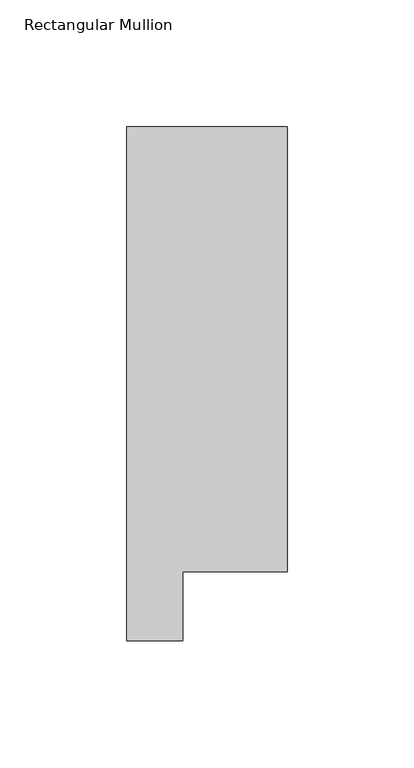
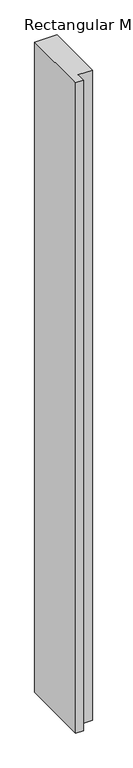
"""IFC4 building model written with IfcOpenShell, lengths in millimetres: member geometry, Rectangular Mullion."""

from ifc_helpers import new_model, si_unit, frame, origin, place, context, project, spatial, polyline, outline, extrude, source, transform, mapped, element, save


def rectangular_mullion_a4562264(model_context):
    return source(origin(), model_context, "Body", "SweptSolid", [
        extrude(outline(polyline([(-31.75, 222.5381313), (31.75, 222.5381313), (31.75, 46.7447302), (-9.5377, 46.7447302), (-9.5377, 19.5667313), (-31.75, 19.5667313), (-31.75, 222.5381313)])), frame((0.0, 0.0, -1965.3123001), z_axis=(0.0, 0.0, 1.0), x_axis=(1.0, 0.0, 0.0)), (0.0, 0.0, 1.0), 1965.3123001),
    ])


if __name__ == "__main__":
    model = new_model("IFC4")
    model_context = context("Model", 3, world=origin())
    ifc_project = project(units=[si_unit("LENGTHUNIT", "METRE", prefix="MILLI")], contexts=[model_context])
    site = spatial("IfcSite", under=ifc_project)
    building = spatial("IfcBuilding", under=site)
    placement = place(None, origin())
    rectangular_mullion_shape = rectangular_mullion_a4562264(model_context)
    element("IfcMember", 1, ObjectType="Rectangular Mullion", at=placement, inside=building, context=model_context, shape_type="MappedRepresentation", body=[
        mapped(rectangular_mullion_shape, transform((0.0, 0.0, 0.0), x_axis=(1.0, 0.0, 0.0), y_axis=(0.0, 1.0, 0.0), z_axis=(0.0, 0.0, 1.0))),
    ])
    save(model, "model.ifc")
